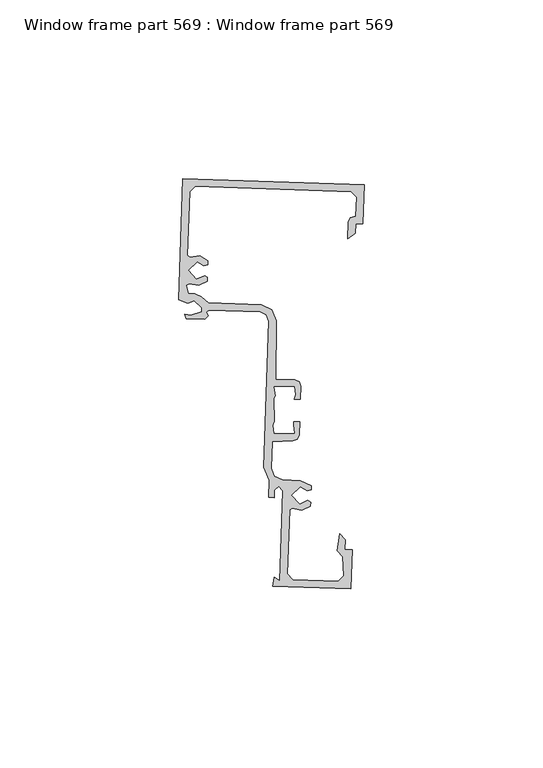
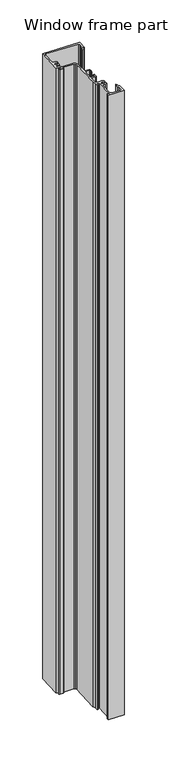
"""IFC4 building model written with IfcOpenShell, lengths in millimetres: proxy geometry, Window frame part 569 : Window frame part 569."""

import ifcopenshell
import ifcopenshell.guid

model = None  # the IFC model being written
_history = None  # IfcOwnerHistory: only IFC2X3 demands one
_inside = {}  # id of a spatial element -> (the spatial element, [elements in it])
_under = {}  # id of a project, library or spatial element -> (it, [spatial elements below it])
_declared = {}  # id of a project -> (the project, [libraries it declares])
_typed = {}  # id of a type object -> (the type object, [elements of that type])
_made_of = {}  # id of a material, layer set ... -> (it, [elements and type objects made of it])


def new_model(schema):
    """Start an empty IFC model of exactly this schema.

    Asked for "IFC4X3", IfcOpenShell would pick the latest addendum, in which some entities
    have other attributes; the version numbers below select the first issue.
    IFC2X3 requires an IfcOwnerHistory on every rooted entity: one is made here for all.
    """
    global model, _history
    if schema == "IFC4X3":
        model = ifcopenshell.file(schema_version=(4, 3, 0, 0))
    else:
        model = ifcopenshell.file(schema=schema)
    _inside.clear()
    _under.clear()
    _declared.clear()
    _typed.clear()
    _made_of.clear()
    _history = None
    if model.schema == "IFC2X3":
        org = make("IfcOrganization", Name="unknown")
        user = make(
            "IfcPersonAndOrganization",
            ThePerson=make("IfcPerson", FamilyName="unknown"),
            TheOrganization=org,
        )
        app = make(
            "IfcApplication",
            ApplicationDeveloper=org,
            Version="unknown",
            ApplicationFullName="unknown",
            ApplicationIdentifier="unknown",
        )
        _history = make(
            "IfcOwnerHistory",
            OwningUser=user,
            OwningApplication=app,
            ChangeAction="ADDED",
            CreationDate=0,
        )
    return model


def make(cls, **values):
    """One entity of the class cls with the attributes given. An attribute that is None is left unset."""
    return model.create_entity(
        cls, **{name: value for name, value in values.items() if value is not None}
    )


def rooted(cls, **values):
    """An entity with a GlobalId (a new one), such as an element, a storey or a relation."""
    return make(cls, GlobalId=ifcopenshell.guid.new(), OwnerHistory=_history, **values)


def si_unit(unit_type, name, prefix=None):
    """IfcSIUnit, for example si_unit("LENGTHUNIT", "METRE", prefix="MILLI")."""
    return make("IfcSIUnit", UnitType=unit_type, Prefix=prefix, Name=name)


def assignment(units):
    """IfcUnitAssignment: the units of a project."""
    return None if units is None else make("IfcUnitAssignment", Units=units)


def point(xyz):
    """IfcCartesianPoint."""
    return None if xyz is None else make("IfcCartesianPoint", Coordinates=xyz)


def direction(xyz):
    """IfcDirection."""
    return None if xyz is None else make("IfcDirection", DirectionRatios=xyz)


def frame(location, z_axis=None, x_axis=None):
    """IfcAxis2Placement3D, a coordinate frame: its origin and axes. An axis left out is left unset."""
    return make(
        "IfcAxis2Placement3D",
        Location=point(location),
        Axis=direction(z_axis),
        RefDirection=direction(x_axis),
    )


def origin():
    """The frame at (0, 0, 0) with its axes left unset."""
    return frame((0.0, 0.0, 0.0))


def place(relative_to, where):
    """IfcLocalPlacement: puts the frame where relative to a parent placement (None: the world)."""
    return make(
        "IfcLocalPlacement", PlacementRelTo=relative_to, RelativePlacement=where
    )


def context(
    kind, dimensions, precision=None, world=None, true_north=None, identifier=None
):
    """IfcGeometricRepresentationContext, for example the 3D "Model" context."""
    return make(
        "IfcGeometricRepresentationContext",
        ContextIdentifier=identifier,
        ContextType=kind,
        CoordinateSpaceDimension=dimensions,
        Precision=precision,
        WorldCoordinateSystem=world,
        TrueNorth=true_north,
    )


def project(units=None, contexts=None):
    """IfcProject with its units and contexts."""
    return rooted(
        "IfcProject",
        Name="project",
        RepresentationContexts=contexts,
        UnitsInContext=assignment(units),
    )


def spatial(cls, under=None, at=None, **own):
    """A site, building, storey or space (cls), placed at a placement, below another one or the project."""
    s = rooted(cls, ObjectPlacement=at, **own)
    if under is not None:
        _under.setdefault(under.id(), (under, []))[1].append(s)
    return s


def polyline(points):
    """IfcPolyline through the points."""
    return make("IfcPolyline", Points=[point(p) for p in points])


def outline(outer, holes=None, kind="AREA"):
    """IfcArbitraryClosedProfileDef: a profile drawn as a closed curve; with holes, ...WithVoids."""
    if holes is None:
        return make("IfcArbitraryClosedProfileDef", ProfileType=kind, OuterCurve=outer)
    return make(
        "IfcArbitraryProfileDefWithVoids",
        ProfileType=kind,
        OuterCurve=outer,
        InnerCurves=holes,
    )


def extrude(swept, where, along, depth):
    """IfcExtrudedAreaSolid: the profile swept, set in the frame where, extruded along a direction by depth."""
    return make(
        "IfcExtrudedAreaSolid",
        SweptArea=swept,
        Position=where,
        ExtrudedDirection=direction(along),
        Depth=depth,
    )


def shape(context_of_items, identifier, shape_type, items):
    """IfcShapeRepresentation: the items that make up one representation, for example the "Body"."""
    return make(
        "IfcShapeRepresentation",
        ContextOfItems=context_of_items,
        RepresentationIdentifier=identifier,
        RepresentationType=shape_type,
        Items=items,
    )


def source(mapping_origin, context_of_items, identifier, shape_type, items):
    """IfcRepresentationMap: a shape defined once, which mapped items show again and again."""
    return make(
        "IfcRepresentationMap",
        MappingOrigin=mapping_origin,
        MappedRepresentation=shape(context_of_items, identifier, shape_type, items),
    )


def transform(
    local_origin,
    x_axis=None,
    y_axis=None,
    z_axis=None,
    scale=None,
    scale2=None,
    scale3=None,
    uniform=True,
):
    """IfcCartesianTransformationOperator3D, or its non-uniform kind. x_axis, y_axis, z_axis: its Axis1, 2, 3."""
    if uniform:
        return make(
            "IfcCartesianTransformationOperator3D",
            Axis1=direction(x_axis),
            Axis2=direction(y_axis),
            LocalOrigin=point(local_origin),
            Scale=scale,
            Axis3=direction(z_axis),
        )
    return make(
        "IfcCartesianTransformationOperator3DnonUniform",
        Axis1=direction(x_axis),
        Axis2=direction(y_axis),
        LocalOrigin=point(local_origin),
        Scale=scale,
        Axis3=direction(z_axis),
        Scale2=scale2,
        Scale3=scale3,
    )


def mapped(mapping_source, mapping_target):
    """IfcMappedItem: shows the shape of a source again, moved by a transform."""
    return make(
        "IfcMappedItem", MappingSource=mapping_source, MappingTarget=mapping_target
    )


def made_of(thing, what):
    """Note that an element or type object is made of a material, layer set ...; save() writes the relation."""
    if what is not None:
        _made_of.setdefault(what.id(), (what, []))[1].append(thing)
    return thing


def element(
    cls,
    number,
    at=None,
    inside=None,
    cuts=None,
    type_object=None,
    material=None,
    context=None,
    identifier="Body",
    shape_type=None,
    held_by="IfcProductDefinitionShape",
    body=None,
    shapes=None,
    **own,
):
    """One element of the class cls, such as IfcWall. Its Tag is "e" and its number.

    at: its placement. inside: the storey or other place that contains it. cuts: it is an
    opening in that element (IfcRelVoidsElement). A single representation is given by context,
    identifier, shape_type and body (its items); several are given by shapes. held_by: the class
    of the entity that holds the representations. save() writes the other relations.
    """
    e = rooted(cls, Tag="e%d" % number, ObjectPlacement=at, **own)
    if body is not None:
        shapes = [shape(context, identifier, shape_type, body)]
    if shapes is not None:
        e.Representation = make(held_by, Representations=shapes)
    if inside is not None:
        _inside.setdefault(inside.id(), (inside, []))[1].append(e)
    if cuts is not None:
        rooted(
            "IfcRelVoidsElement", RelatingBuildingElement=cuts, RelatedOpeningElement=e
        )
    if type_object is not None:
        _typed.setdefault(type_object.id(), (type_object, []))[1].append(e)
    return made_of(e, material)


def aggregate(whole, parts):
    """IfcRelAggregates: a whole, such as a stair, and the parts it consists of."""
    return rooted("IfcRelAggregates", RelatingObject=whole, RelatedObjects=parts)


def save(model, path):
    """Write the relations noted so far, then the file.

    IfcRelAggregates (storeys below a building ...), IfcRelContainedInSpatialStructure (elements
    in a storey), IfcRelDefinesByType, IfcRelAssociatesMaterial and IfcRelDeclares: one each for
    every whole, place, type object, material and project.
    """
    for whole, parts in _under.values():
        aggregate(whole, parts)
    for where, things in _inside.values():
        rooted(
            "IfcRelContainedInSpatialStructure",
            RelatedElements=things,
            RelatingStructure=where,
        )
    for kind, things in _typed.values():
        rooted("IfcRelDefinesByType", RelatedObjects=things, RelatingType=kind)
    for what, things in _made_of.values():
        rooted("IfcRelAssociatesMaterial", RelatedObjects=things, RelatingMaterial=what)
    for by, libraries in _declared.values():
        rooted("IfcRelDeclares", RelatingContext=by, RelatedDefinitions=libraries)
    model.write(path)


def window_frame_part_569_window_frame_part_569_178f8c1b(model_context):
    return source(origin(), model_context, "Body", "SweptSolid", [
        extrude(outline(polyline([(34538.9897711, -15542.9218484), (34539.4554766, -15540.3844509), (34541.0738382, -15541.3920754), (34541.9114588, -15516.237983), (34540.7580512, -15515.0051133), (34539.5251815, -15516.1585209), (34539.4592449, -15518.1386234), (34537.8853173, -15518.0862123), (34538.0428852, -15513.3543853), (34536.5895068, -15509.6818305), (34537.9494088, -15468.8434137), (34537.2656468, -15467.023598), (34535.49535, -15466.2202867), (34521.1269136, -15465.7418238), (34520.4584436, -15466.354789), (34520.9856564, -15467.3126658), (34519.988737, -15468.2453309), (34514.8609063, -15468.0745763), (34514.3946094, -15466.813759), (34515.199351, -15467.0692832), (34516.1640164, -15467.1014062), (34519.1950603, -15466.1349474), (34519.2305223, -15465.0700076), (34517.1530437, -15463.1201866), (34515.3083577, -15463.7957677), (34512.7367579, -15462.7944576), (34513.8640364, -15428.941821), (34564.6358947, -15430.6325024), (34564.2713813, -15441.5789876), (34562.240507, -15441.5113603), (34562.1492102, -15444.2530407), (34560.0659248, -15445.759341), (34560.2248488, -15440.9867864), (34560.7229018, -15439.8892024), (34562.3081343, -15439.480486), (34562.4866726, -15434.1189052), (34561.0142373, -15432.545029), (34517.3504392, -15431.091043), (34515.776563, -15432.5634783), (34515.1820934, -15450.4156449), (34515.9391518, -15450.8894316), (34518.6006005, -15450.5406601), (34520.9277998, -15451.8782303), (34520.890634, -15452.9943349), (34519.7965776, -15453.3178296), (34517.8660632, -15452.2400197), (34515.3740927, -15454.5713755), (34517.7054484, -15457.063346), (34520.0394945, -15456.0549058), (34520.7735002, -15456.5119125), (34520.7363344, -15457.6280171), (34518.325308, -15458.8078065), (34515.6929573, -15458.2827537), (34514.9060571, -15458.7051273), (34515.337035, -15461.026588), (34517.220671, -15461.0893123), (34519.0802389, -15461.9335978), (34520.9900078, -15463.7040116), (34535.8168738, -15464.1978693), (34538.8263411, -15465.5634972), (34539.9887365, -15468.6571839), (34539.9512104, -15485.0480128), (34545.1553259, -15485.2213076), (34546.3945336, -15485.7836255), (34546.8731671, -15487.0574965), (34546.753974, -15490.6369125), (34545.0911957, -15490.5815427), (34545.5235632, -15489.4268927), (34545.2230817, -15487.0025494), (34539.3716379, -15487.1889099), (34539.6783601, -15489.6135143), (34539.2651249, -15490.387537), (34539.4472716, -15496.7471221), (34539.0149041, -15497.901772), (34539.3153856, -15500.3261154), (34545.1668295, -15500.1397548), (34544.8601072, -15497.7151508), (34544.8798605, -15496.928025), (34546.5426388, -15496.9833948), (34546.4234458, -15500.5628108), (34545.8611279, -15501.8020186), (34544.5872569, -15502.280652), (34538.858516, -15502.5981689), (34538.6144638, -15509.9271592), (34539.4691663, -15512.201929), (34541.6820373, -15513.206068), (34546.7846092, -15513.3759815), (34549.7871721, -15514.7912071), (34549.7500063, -15515.9073117), (34548.6559498, -15516.2308065), (34546.7254354, -15515.1529965), (34544.2334649, -15517.4843523), (34546.5648207, -15519.9763228), (34548.8988668, -15518.9678827), (34549.6328724, -15519.4248894), (34549.5957066, -15520.540994), (34547.1718672, -15521.7224267), (34544.5299851, -15521.1827602), (34543.7658854, -15521.6044109), (34543.1698675, -15539.5030728), (34544.6423028, -15541.076949), (34557.3860392, -15541.50131), (34558.9599154, -15540.0288747), (34558.6811599, -15534.6625042), (34557.1596434, -15533.0361655), (34557.7755142, -15528.2788269), (34559.2970306, -15529.9051657), (34559.2057338, -15532.646846), (34561.2366082, -15532.7144733), (34560.872442, -15543.6505321), (34538.9897711, -15542.9218484)])), frame((0.0, 0.0, 1597.975708), z_axis=(0.0, 0.0, 1.0), x_axis=(1.0, 0.0, 0.0)), (0.0, 0.0, 1.0), 914.4),
    ])


if __name__ == "__main__":
    model = new_model("IFC4")
    model_context = context("Model", 3, world=origin())
    ifc_project = project(units=[si_unit("LENGTHUNIT", "METRE", prefix="MILLI")], contexts=[model_context])
    site = spatial("IfcSite", under=ifc_project)
    building = spatial("IfcBuilding", under=site)
    placement = place(None, origin())
    window_frame_part_569_window_frame_part_569_shape = window_frame_part_569_window_frame_part_569_178f8c1b(model_context)
    element("IfcBuildingElementProxy", 1, Name="Window frame part 569 : Window frame part 569", ObjectType="Window frame part 569 : Window frame part 569", at=placement, inside=building, context=model_context, shape_type="MappedRepresentation", body=[
        mapped(window_frame_part_569_window_frame_part_569_shape, transform((0.0, 0.0, 0.0), x_axis=(1.0, 0.0, 0.0), y_axis=(0.0, 1.0, 0.0), z_axis=(0.0, 0.0, 1.0))),
    ])
    save(model, "model.ifc")
